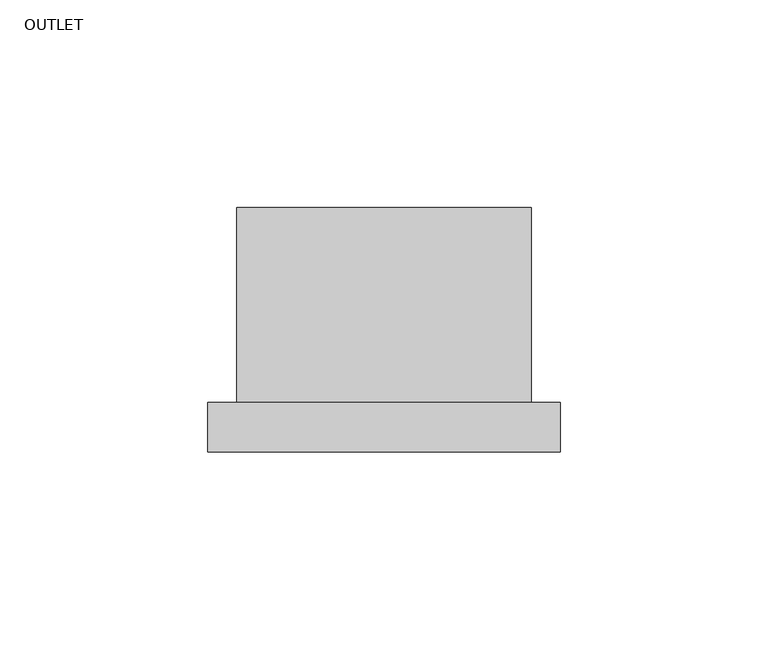
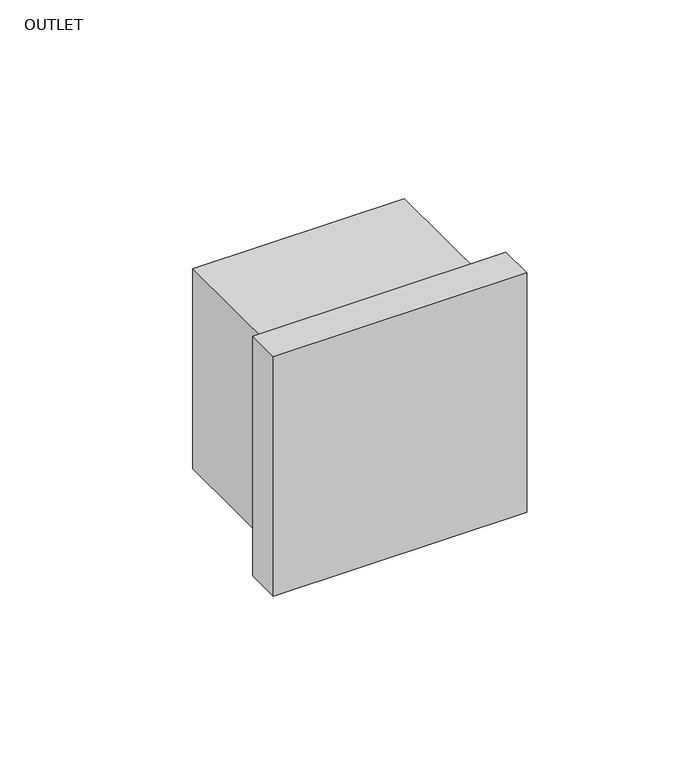
"""IFC4 building model written with IfcOpenShell, lengths in millimetres: proxy geometry, OUTLET."""

from ifc_helpers import new_model, si_unit, frame, origin, place, context, project, spatial, polyline, outline, extrude, source, transform, mapped, element, save


def outlet_89b86572(model_context):
    return source(origin(), model_context, "Body", "SweptSolid", [
        extrude(outline(polyline([(-35.5, 47.0), (35.5, 47.0), (35.5, 0.0), (-35.5, 0.0), (-35.5, 47.0)])), frame((0.0, 0.0, -78.0), z_axis=(0.0, 0.0, 1.0), x_axis=(1.0, 0.0, 0.0)), (0.0, 0.0, 1.0), 71.0),
        extrude(outline(polyline([(-42.5, 0.0), (42.5, 0.0), (42.5, -12.0), (-42.5, -12.0), (-42.5, 0.0)])), frame((0.0, 0.0, -85.0), z_axis=(0.0, 0.0, 1.0), x_axis=(1.0, 0.0, 0.0)), (0.0, 0.0, 1.0), 85.0),
    ])


if __name__ == "__main__":
    model = new_model("IFC4")
    model_context = context("Model", 3, world=origin())
    ifc_project = project(units=[si_unit("LENGTHUNIT", "METRE", prefix="MILLI")], contexts=[model_context])
    site = spatial("IfcSite", under=ifc_project)
    building = spatial("IfcBuilding", under=site)
    placement = place(None, origin())
    outlet_shape = outlet_89b86572(model_context)
    element("IfcBuildingElementProxy", 1, Name="OUTLET", ObjectType="OUTLET", at=placement, inside=building, context=model_context, shape_type="MappedRepresentation", body=[
        mapped(outlet_shape, transform((0.0, 0.0, 0.0), x_axis=(1.0, 0.0, 0.0), y_axis=(0.0, 1.0, 0.0), z_axis=(0.0, 0.0, 1.0))),
    ])
    save(model, "model.ifc")
